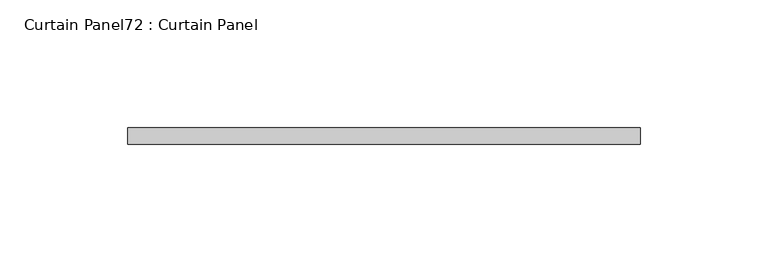
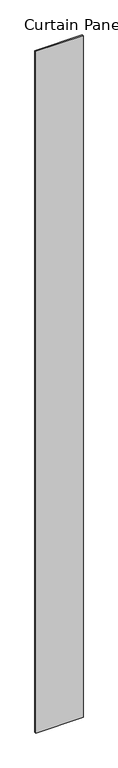
"""IFC4 building model written with IfcOpenShell, lengths in millimetres: plate geometry, Curtain Panel72 : Curtain Panel."""

from ifc_helpers import new_model, si_unit, frame, origin, place, context, project, spatial, polyline, outline, extrude, source, transform, mapped, element, save


def curtain_panel72_curtain_panel_cfe98b4b(model_context):
    return source(origin(), model_context, "Body", "SweptSolid", [
        extrude(outline(polyline([(838680.2781415, 2099.9545582), (838480.2531374, 2099.9545582), (838480.2531374, 2106.3045582), (838680.2781415, 2106.3045582), (838680.2781415, 2099.9545582)])), frame((0.0, 0.0, 3136.8926964), z_axis=(0.0, 0.0, 1.0), x_axis=(1.0, 0.0, 0.0)), (0.0, 0.0, 1.0), 3048.0),
    ])


if __name__ == "__main__":
    model = new_model("IFC4")
    model_context = context("Model", 3, world=origin())
    ifc_project = project(units=[si_unit("LENGTHUNIT", "METRE", prefix="MILLI")], contexts=[model_context])
    site = spatial("IfcSite", under=ifc_project)
    building = spatial("IfcBuilding", under=site)
    placement = place(None, origin())
    curtain_panel72_curtain_panel_shape = curtain_panel72_curtain_panel_cfe98b4b(model_context)
    element("IfcPlate", 1, ObjectType="Curtain Panel72 : Curtain Panel", at=placement, inside=building, context=model_context, shape_type="MappedRepresentation", body=[
        mapped(curtain_panel72_curtain_panel_shape, transform((0.0, 0.0, 0.0), x_axis=(1.0, 0.0, 0.0), y_axis=(0.0, 1.0, 0.0), z_axis=(0.0, 0.0, 1.0))),
    ])
    save(model, "model.ifc")
